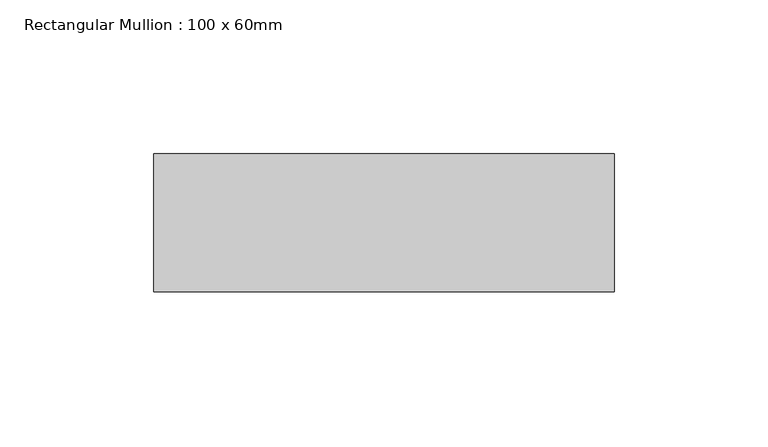
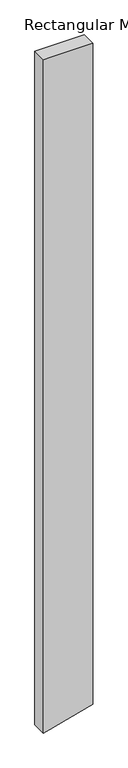
"""IFC4 building model written with IfcOpenShell, lengths in millimetres: member geometry, Rectangular Mullion : 100 x 60mm."""

from ifc_helpers import new_model, si_unit, frame, origin, place, context, project, spatial, polyline, outline, extrude, source, transform, mapped, element, save


def rectangular_mullion_100_x_60mm_46c5ef2d(model_context):
    return source(origin(), model_context, "Body", "SweptSolid", [
        extrude(outline(polyline([(0.0, 75.0), (0.0, -75.0), (-2162.2118968, -75.0), (-2159.4532959, -64.7047613), (-2122.019518, 75.0), (0.0, 75.0)])), frame((0.0, -30.0, 0.0), z_axis=(0.0, 1.0, 0.0), x_axis=(0.0, 0.0, 1.0)), (0.0, 0.0, 1.0), 45.0),
    ])


if __name__ == "__main__":
    model = new_model("IFC4")
    model_context = context("Model", 3, world=origin())
    ifc_project = project(units=[si_unit("LENGTHUNIT", "METRE", prefix="MILLI")], contexts=[model_context])
    site = spatial("IfcSite", under=ifc_project)
    building = spatial("IfcBuilding", under=site)
    placement = place(None, origin())
    rectangular_mullion_100_x_60mm_shape = rectangular_mullion_100_x_60mm_46c5ef2d(model_context)
    element("IfcMember", 1, ObjectType="Rectangular Mullion : 100 x 60mm", at=placement, inside=building, context=model_context, shape_type="MappedRepresentation", body=[
        mapped(rectangular_mullion_100_x_60mm_shape, transform((0.0, 0.0, 0.0), x_axis=(1.0, 0.0, 0.0), y_axis=(0.0, 1.0, 0.0), z_axis=(0.0, 0.0, 1.0))),
    ])
    save(model, "model.ifc")
